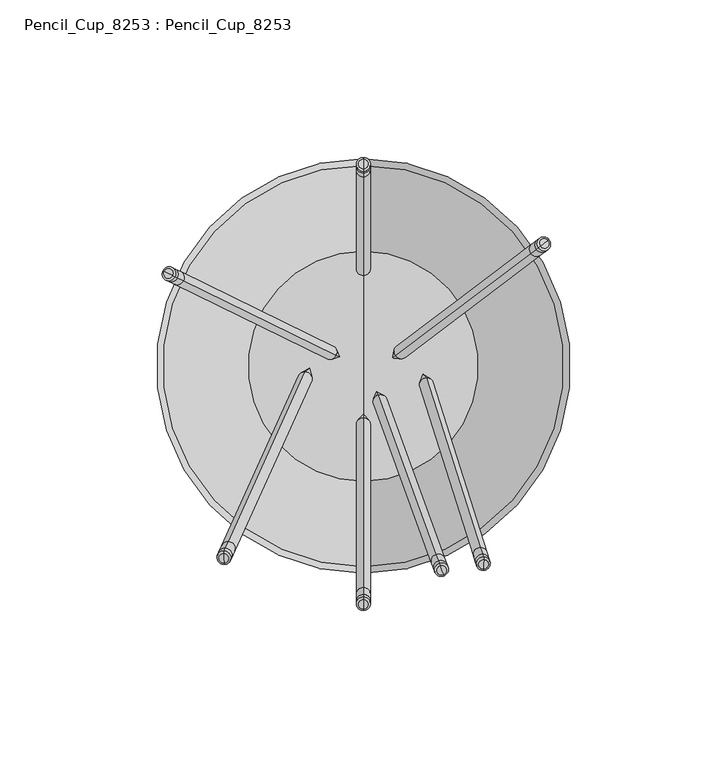
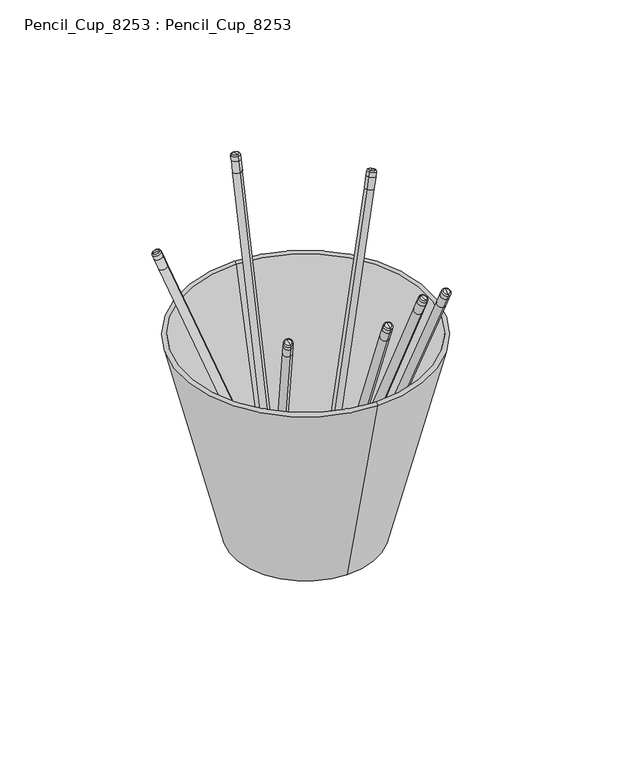
"""IFC4 building model written with IfcOpenShell, lengths in millimetres: proxy geometry, Pencil_Cup_8253 : Pencil_Cup_8253."""

import ifcopenshell
import ifcopenshell.guid

model = None  # the IFC model being written
_history = None  # IfcOwnerHistory: only IFC2X3 demands one
_inside = {}  # id of a spatial element -> (the spatial element, [elements in it])
_under = {}  # id of a project, library or spatial element -> (it, [spatial elements below it])
_declared = {}  # id of a project -> (the project, [libraries it declares])
_typed = {}  # id of a type object -> (the type object, [elements of that type])
_made_of = {}  # id of a material, layer set ... -> (it, [elements and type objects made of it])


def new_model(schema):
    """Start an empty IFC model of exactly this schema.

    Asked for "IFC4X3", IfcOpenShell would pick the latest addendum, in which some entities
    have other attributes; the version numbers below select the first issue.
    IFC2X3 requires an IfcOwnerHistory on every rooted entity: one is made here for all.
    """
    global model, _history
    if schema == "IFC4X3":
        model = ifcopenshell.file(schema_version=(4, 3, 0, 0))
    else:
        model = ifcopenshell.file(schema=schema)
    _inside.clear()
    _under.clear()
    _declared.clear()
    _typed.clear()
    _made_of.clear()
    _history = None
    if model.schema == "IFC2X3":
        org = make("IfcOrganization", Name="unknown")
        user = make(
            "IfcPersonAndOrganization",
            ThePerson=make("IfcPerson", FamilyName="unknown"),
            TheOrganization=org,
        )
        app = make(
            "IfcApplication",
            ApplicationDeveloper=org,
            Version="unknown",
            ApplicationFullName="unknown",
            ApplicationIdentifier="unknown",
        )
        _history = make(
            "IfcOwnerHistory",
            OwningUser=user,
            OwningApplication=app,
            ChangeAction="ADDED",
            CreationDate=0,
        )
    return model


def make(cls, **values):
    """One entity of the class cls with the attributes given. An attribute that is None is left unset."""
    return model.create_entity(
        cls, **{name: value for name, value in values.items() if value is not None}
    )


def rooted(cls, **values):
    """An entity with a GlobalId (a new one), such as an element, a storey or a relation."""
    return make(cls, GlobalId=ifcopenshell.guid.new(), OwnerHistory=_history, **values)


def si_unit(unit_type, name, prefix=None):
    """IfcSIUnit, for example si_unit("LENGTHUNIT", "METRE", prefix="MILLI")."""
    return make("IfcSIUnit", UnitType=unit_type, Prefix=prefix, Name=name)


def assignment(units):
    """IfcUnitAssignment: the units of a project."""
    return None if units is None else make("IfcUnitAssignment", Units=units)


def point(xyz):
    """IfcCartesianPoint."""
    return None if xyz is None else make("IfcCartesianPoint", Coordinates=xyz)


def direction(xyz):
    """IfcDirection."""
    return None if xyz is None else make("IfcDirection", DirectionRatios=xyz)


def frame(location, z_axis=None, x_axis=None):
    """IfcAxis2Placement3D, a coordinate frame: its origin and axes. An axis left out is left unset."""
    return make(
        "IfcAxis2Placement3D",
        Location=point(location),
        Axis=direction(z_axis),
        RefDirection=direction(x_axis),
    )


def origin():
    """The frame at (0, 0, 0) with its axes left unset."""
    return frame((0.0, 0.0, 0.0))


def place(relative_to, where):
    """IfcLocalPlacement: puts the frame where relative to a parent placement (None: the world)."""
    return make(
        "IfcLocalPlacement", PlacementRelTo=relative_to, RelativePlacement=where
    )


def context(
    kind, dimensions, precision=None, world=None, true_north=None, identifier=None
):
    """IfcGeometricRepresentationContext, for example the 3D "Model" context."""
    return make(
        "IfcGeometricRepresentationContext",
        ContextIdentifier=identifier,
        ContextType=kind,
        CoordinateSpaceDimension=dimensions,
        Precision=precision,
        WorldCoordinateSystem=world,
        TrueNorth=true_north,
    )


def project(units=None, contexts=None):
    """IfcProject with its units and contexts."""
    return rooted(
        "IfcProject",
        Name="project",
        RepresentationContexts=contexts,
        UnitsInContext=assignment(units),
    )


def spatial(cls, under=None, at=None, **own):
    """A site, building, storey or space (cls), placed at a placement, below another one or the project."""
    s = rooted(cls, ObjectPlacement=at, **own)
    if under is not None:
        _under.setdefault(under.id(), (under, []))[1].append(s)
    return s


def polyline(points):
    """IfcPolyline through the points."""
    return make("IfcPolyline", Points=[point(p) for p in points])


def circle_curve(where, radius):
    """IfcCircle in the frame where."""
    return make("IfcCircle", Position=where, Radius=radius)


def ellipse_curve(where, semi_axis1, semi_axis2):
    """IfcEllipse in the frame where."""
    return make(
        "IfcEllipse", Position=where, SemiAxis1=semi_axis1, SemiAxis2=semi_axis2
    )


def trimmed(basis, trim1, trim2, sense, master):
    """IfcTrimmedCurve: the piece of a basis curve between two trims."""
    return make(
        "IfcTrimmedCurve",
        BasisCurve=basis,
        Trim1=trim1,
        Trim2=trim2,
        SenseAgreement=sense,
        MasterRepresentation=master,
    )


def shape(context_of_items, identifier, shape_type, items):
    """IfcShapeRepresentation: the items that make up one representation, for example the "Body"."""
    return make(
        "IfcShapeRepresentation",
        ContextOfItems=context_of_items,
        RepresentationIdentifier=identifier,
        RepresentationType=shape_type,
        Items=items,
    )


def source(mapping_origin, context_of_items, identifier, shape_type, items):
    """IfcRepresentationMap: a shape defined once, which mapped items show again and again."""
    return make(
        "IfcRepresentationMap",
        MappingOrigin=mapping_origin,
        MappedRepresentation=shape(context_of_items, identifier, shape_type, items),
    )


def transform(
    local_origin,
    x_axis=None,
    y_axis=None,
    z_axis=None,
    scale=None,
    scale2=None,
    scale3=None,
    uniform=True,
):
    """IfcCartesianTransformationOperator3D, or its non-uniform kind. x_axis, y_axis, z_axis: its Axis1, 2, 3."""
    if uniform:
        return make(
            "IfcCartesianTransformationOperator3D",
            Axis1=direction(x_axis),
            Axis2=direction(y_axis),
            LocalOrigin=point(local_origin),
            Scale=scale,
            Axis3=direction(z_axis),
        )
    return make(
        "IfcCartesianTransformationOperator3DnonUniform",
        Axis1=direction(x_axis),
        Axis2=direction(y_axis),
        LocalOrigin=point(local_origin),
        Scale=scale,
        Axis3=direction(z_axis),
        Scale2=scale2,
        Scale3=scale3,
    )


def mapped(mapping_source, mapping_target):
    """IfcMappedItem: shows the shape of a source again, moved by a transform."""
    return make(
        "IfcMappedItem", MappingSource=mapping_source, MappingTarget=mapping_target
    )


def made_of(thing, what):
    """Note that an element or type object is made of a material, layer set ...; save() writes the relation."""
    if what is not None:
        _made_of.setdefault(what.id(), (what, []))[1].append(thing)
    return thing


def element(
    cls,
    number,
    at=None,
    inside=None,
    cuts=None,
    type_object=None,
    material=None,
    context=None,
    identifier="Body",
    shape_type=None,
    held_by="IfcProductDefinitionShape",
    body=None,
    shapes=None,
    **own,
):
    """One element of the class cls, such as IfcWall. Its Tag is "e" and its number.

    at: its placement. inside: the storey or other place that contains it. cuts: it is an
    opening in that element (IfcRelVoidsElement). A single representation is given by context,
    identifier, shape_type and body (its items); several are given by shapes. held_by: the class
    of the entity that holds the representations. save() writes the other relations.
    """
    e = rooted(cls, Tag="e%d" % number, ObjectPlacement=at, **own)
    if body is not None:
        shapes = [shape(context, identifier, shape_type, body)]
    if shapes is not None:
        e.Representation = make(held_by, Representations=shapes)
    if inside is not None:
        _inside.setdefault(inside.id(), (inside, []))[1].append(e)
    if cuts is not None:
        rooted(
            "IfcRelVoidsElement", RelatingBuildingElement=cuts, RelatedOpeningElement=e
        )
    if type_object is not None:
        _typed.setdefault(type_object.id(), (type_object, []))[1].append(e)
    return made_of(e, material)


def aggregate(whole, parts):
    """IfcRelAggregates: a whole, such as a stair, and the parts it consists of."""
    return rooted("IfcRelAggregates", RelatingObject=whole, RelatedObjects=parts)


def save(model, path):
    """Write the relations noted so far, then the file.

    IfcRelAggregates (storeys below a building ...), IfcRelContainedInSpatialStructure (elements
    in a storey), IfcRelDefinesByType, IfcRelAssociatesMaterial and IfcRelDeclares: one each for
    every whole, place, type object, material and project.
    """
    for whole, parts in _under.values():
        aggregate(whole, parts)
    for where, things in _inside.values():
        rooted(
            "IfcRelContainedInSpatialStructure",
            RelatedElements=things,
            RelatingStructure=where,
        )
    for kind, things in _typed.values():
        rooted("IfcRelDefinesByType", RelatedObjects=things, RelatingType=kind)
    for what, things in _made_of.values():
        rooted("IfcRelAssociatesMaterial", RelatedObjects=things, RelatingMaterial=what)
    for by, libraries in _declared.values():
        rooted("IfcRelDeclares", RelatingContext=by, RelatedDefinitions=libraries)
    model.write(path)


def plane_surface(at):
    """IfcPlane: the flat surface through the origin of the frame at, square to its z axis."""
    return make("IfcPlane", Position=at)


def cylinder_surface(at, radius):
    """IfcCylindricalSurface: all points at the distance radius from the z axis of the frame at."""
    return make("IfcCylindricalSurface", Position=at, Radius=radius)


def revolved_surface(curve, axis_point, axis_direction):
    """IfcSurfaceOfRevolution: the curve turned about the line through axis_point along axis_direction."""
    return make(
        "IfcSurfaceOfRevolution",
        SweptCurve=make("IfcArbitraryOpenProfileDef", ProfileType="CURVE", Curve=curve),
        AxisPosition=make("IfcAxis1Placement", Location=point(axis_point), Axis=direction(axis_direction)),
    )


def advanced_brep(points, edges, surfaces, faces):
    """IfcAdvancedBrep: a solid bounded by faces that lie on surfaces and meet in shared edges.

    An edge is (start, end): straight between two places in points (the first is 0);
    or (start, end, curve); or (start, end, curve, False) where it runs against its curve.
    A face is (place in surfaces, loops), or (place, loops, False) where it looks against
    its surface's normal. A loop lists edges by number (the first is 1), with a minus sign
    where the edge is run from its end to its start. The first loop is the outer one.
    """
    corners = [point(p) for p in points]
    vertices = [make("IfcVertexPoint", VertexGeometry=c) for c in corners]
    made = []
    for start, end, *more in edges:
        made.append(
            make(
                "IfcEdgeCurve",
                EdgeStart=vertices[start],
                EdgeEnd=vertices[end],
                EdgeGeometry=more[0] if more else make("IfcPolyline", Points=[corners[start], corners[end]]),
                SameSense=more[1] if len(more) > 1 else True,
            )
        )
    hull = []
    for where, loops, *sense in faces:
        bounds = []
        for j, loop in enumerate(loops):
            ring = [make("IfcOrientedEdge", EdgeElement=made[abs(k) - 1], Orientation=k > 0) for k in loop]
            bounds.append(
                make(
                    "IfcFaceOuterBound" if j == 0 else "IfcFaceBound",
                    Bound=make("IfcEdgeLoop", EdgeList=ring),
                    Orientation=True,
                )
            )
        hull.append(make("IfcAdvancedFace", Bounds=bounds, FaceSurface=surfaces[where], SameSense=sense[0] if sense else True))
    return make("IfcAdvancedBrep", Outer=make("IfcClosedShell", CfsFaces=hull))


def pencil_cup_8253_pencil_cup_8253_cffecb01(model_context):
    return source(origin(), model_context, "Body", "AdvancedBrep", [
        advanced_brep(
        [(9.268389, 2.5445179, 1.8547128), (13.4754719, 5.7147823, 9.377966), (10.1622793, 3.2181126, 10.9704515), (56.3428646, 38.0176797, 159.7831882), (58.680865, 39.7794893, 158.6594287), (57.5118648, 38.8985845, 159.2213084), (55.6680979, 37.5092065, 159.4070147), (58.9812905, 40.0058762, 157.8145291), (54.9804375, 36.9910172, 157.1639181), (58.2936301, 39.4876869, 155.5714326), (53.2655315, 35.6987428, 151.5700233), (56.5787241, 38.1954125, 149.9775378)],
        [
            (0, 1),
            (1, 2, circle_curve(frame((11.8188756, 4.4664474, 10.1742087), z_axis=(-0.2862053701697041, -0.21567121585256105, -0.9335804264972036), x_axis=(0.7455904800857668, 0.5618427259867093, -0.3583679495452953)), 2.2218582)),
            (2, 0),
            (2, 1, circle_curve(frame((11.8188756, 4.4664474, 10.1742087), z_axis=(-0.2862053701697041, -0.21567121585256105, -0.9335804264972036), x_axis=(0.7455904800857668, 0.5618427259867093, -0.3583679495452953)), 2.2218582)),
            (3, 4, circle_curve(frame((57.5118648, 38.8985845, 159.2213084), z_axis=(0.2862053701697041, 0.21567121585256105, 0.9335804264972036), x_axis=(0.7455904800857668, 0.5618427259867093, -0.3583679495452953)), 1.5678851)),
            (4, 5),
            (5, 3),
            (4, 3, circle_curve(frame((57.5118648, 38.8985845, 159.2213084), z_axis=(0.2862053701697041, 0.21567121585256105, 0.9335804264972036), x_axis=(0.7455904800857668, 0.5618427259867093, -0.3583679495452953)), 1.5678851)),
            (6, 7, circle_curve(frame((57.3246942, 38.7575413, 158.6107719), z_axis=(0.2862053701697041, 0.21567121585256105, 0.9335804264972036), x_axis=(0.7455904800857668, 0.5618427259867093, -0.3583679495452953)), 2.2218582)),
            (7, 4, circle_curve(frame((58.4936944, 39.6384461, 158.0488921), z_axis=(0.6018150231520466, -0.798635510047294, 0.0), x_axis=(0.798635510047294, 0.6018150231520466, 0.0)), 0.6539731)),
            (3, 6, circle_curve(frame((56.155694, 37.8766365, 159.1726516), z_axis=(0.601815023152049, -0.7986355100472923, 0.0), x_axis=(-0.5935018467341541, -0.4472357203500029, 0.6691306063588502)), 0.6539731)),
            (7, 6, circle_curve(frame((57.3246942, 38.7575413, 158.6107719), z_axis=(0.2862053701697041, 0.21567121585256105, 0.9335804264972036), x_axis=(0.7455904800857668, 0.5618427259867093, -0.3583679495452953)), 2.2218582)),
            (8, 9, circle_curve(frame((56.6370338, 38.239352, 156.3676754), z_axis=(0.2862053701697041, 0.21567121585256105, 0.9335804264972036), x_axis=(0.7455904800857668, 0.5618427259867093, -0.3583679495452953)), 2.2218582)),
            (9, 7),
            (6, 8),
            (9, 8, circle_curve(frame((56.6370338, 38.239352, 156.3676754), z_axis=(0.2862053701697041, 0.21567121585256105, 0.9335804264972036), x_axis=(0.7455904800857668, 0.5618427259867093, -0.3583679495452953)), 2.2218582)),
            (10, 11, circle_curve(frame((54.9221278, 36.9470776, 150.7737806), z_axis=(0.2862053701697041, 0.21567121585256105, 0.9335804264972036), x_axis=(0.7455904800857668, 0.5618427259867093, -0.3583679495452953)), 2.2218582)),
            (11, 9),
            (8, 10),
            (11, 10, circle_curve(frame((54.9221278, 36.9470776, 150.7737806), z_axis=(0.2862053701697041, 0.21567121585256105, 0.9335804264972036), x_axis=(0.7455904800857668, 0.5618427259867093, -0.3583679495452953)), 2.2218582)),
            (1, 11),
            (10, 2),
        ],
        [
            revolved_surface(polyline([(13.4754719, 5.7147823, 9.377966), (9.268389, 2.5445179, 1.8547128)]), (9.268389, 2.5445179, 1.8547128), (-0.2862053701697041, -0.21567121585256105, -0.9335804264972036)),
            plane_surface(frame((57.5118648, 38.8985845, 159.2213084), z_axis=(0.2862053701697041, 0.21567121585256105, 0.9335804264972037), x_axis=(0.7455904800857669, 0.5618427259867094, -0.35836794954529533))),
            plane_surface(frame((57.5118648, 38.8985845, 159.2213084), z_axis=(0.28620537016970404, 0.215671215852561, 0.9335804264972036), x_axis=(0.7455904800857668, 0.5618427259867093, -0.3583679495452953))),
            revolved_surface(trimmed(ellipse_curve(frame((58.4936944, 39.6384461, 158.0488921), z_axis=(-0.6018150231520466, 0.798635510047294, 0.0), x_axis=(0.798635510047294, 0.6018150231520466, 0.0)), 0.6539731, 0.6539731), [point((58.680865, 39.7794893, 158.6594287))], [point((58.9812905, 40.0058762, 157.8145291))], True, "CARTESIAN"), (9.268389, 2.5445179, 1.8547128), (-0.2862053701697041, -0.21567121585256105, -0.9335804264972036)),
            cylinder_surface(frame((9.268389, 2.5445179, 1.8547128), z_axis=(-0.2862053701697041, -0.21567121585256105, -0.9335804264972036), x_axis=(0.7455904800857668, 0.5618427259867093, -0.3583679495452953)), 2.2218582),
        ],
        [
            (0, [[1, 2, 3]]),
            (0, [[-3, 4, -1]]),
            (1, [[5, 6, 7]]),
            (2, [[8, -7, -6]]),
            (3, [[9, 10, -5, 11]]),
            (3, [[12, -11, -8, -10]]),
            (4, [[13, 14, -9, 15]]),
            (4, [[16, -15, -12, -14]]),
            (4, [[17, 18, -13, 19]]),
            (4, [[20, -19, -16, -18]]),
            (4, [[-2, 21, -17, 22]]),
            (4, [[-4, -22, -20, -21]]),
        ],
    ),
        advanced_brep(
        [(-7.6454577, 2.9039082, 3.486788), (-12.3801597, 5.2131767, 11.0100412), (-8.6514527, 3.3945648, 12.6025267), (-60.623641, 28.7430947, 161.4152634), (-63.2548549, 30.0264235, 160.2915039), (-61.9392479, 29.3847591, 160.8533836), (-59.8642504, 28.3727152, 161.0390899), (-63.5929574, 30.1913271, 159.4466043), (-59.0903491, 27.9952583, 158.7959933), (-62.8190561, 29.8138702, 157.2035078), (-57.1603731, 27.0539461, 153.2020985), (-60.8890801, 28.872558, 151.609613)],
        [
            (0, 1),
            (1, 2, circle_curve(frame((-10.5158062, 4.3038707, 11.806284), z_axis=(0.3220989794357564, -0.15709816901461193, -0.9335804264972037), x_axis=(-0.8390965290771232, 0.4092547221834165, -0.3583679495452954)), 2.2218582)),
            (2, 0),
            (2, 1, circle_curve(frame((-10.5158062, 4.3038707, 11.806284), z_axis=(0.3220989794357564, -0.15709816901461193, -0.9335804264972037), x_axis=(-0.8390965290771232, 0.4092547221834165, -0.3583679495452954)), 2.2218582)),
            (3, 4, circle_curve(frame((-61.9392479, 29.3847591, 160.8533836), z_axis=(-0.3220989794357564, 0.15709816901461193, 0.9335804264972037), x_axis=(-0.8390965290771232, 0.4092547221834165, -0.3583679495452954)), 1.5678851)),
            (4, 5),
            (5, 3),
            (4, 3, circle_curve(frame((-61.9392479, 29.3847591, 160.8533836), z_axis=(-0.3220989794357564, 0.15709816901461193, 0.9335804264972037), x_axis=(-0.8390965290771232, 0.4092547221834165, -0.3583679495452954)), 1.5678851)),
            (6, 7, circle_curve(frame((-61.7286039, 29.2820211, 160.2428471), z_axis=(-0.3220989794357564, 0.15709816901461193, 0.9335804264972037), x_axis=(-0.8390965290771232, 0.4092547221834165, -0.3583679495452954)), 2.2218582)),
            (7, 4, circle_curve(frame((-63.0442108, 29.9236855, 159.6809673), z_axis=(0.43837114678907546, 0.8987940462991683, 0.0), x_axis=(-0.8987940462991681, 0.4383711467890754, 0.0)), 0.6539731)),
            (3, 6, circle_curve(frame((-60.412997, 28.6403568, 160.8047269), z_axis=(0.43837114678907274, 0.8987940462991696, 0.0), x_axis=(0.6679341446771209, -0.3257732493748992, 0.6691306063588505)), 0.6539731)),
            (7, 6, circle_curve(frame((-61.7286039, 29.2820211, 160.2428471), z_axis=(-0.3220989794357564, 0.15709816901461193, 0.9335804264972037), x_axis=(-0.8390965290771232, 0.4092547221834165, -0.3583679495452954)), 2.2218582)),
            (8, 9, circle_curve(frame((-60.9547026, 28.9045642, 157.9997506), z_axis=(-0.3220989794357564, 0.15709816901461193, 0.9335804264972037), x_axis=(-0.8390965290771232, 0.4092547221834165, -0.3583679495452954)), 2.2218582)),
            (9, 7),
            (6, 8),
            (9, 8, circle_curve(frame((-60.9547026, 28.9045642, 157.9997506), z_axis=(-0.3220989794357564, 0.15709816901461193, 0.9335804264972037), x_axis=(-0.8390965290771232, 0.4092547221834165, -0.3583679495452954)), 2.2218582)),
            (10, 11, circle_curve(frame((-59.0247266, 27.963252, 152.4058558), z_axis=(-0.3220989794357564, 0.15709816901461193, 0.9335804264972037), x_axis=(-0.8390965290771232, 0.4092547221834165, -0.3583679495452954)), 2.2218582)),
            (11, 9),
            (8, 10),
            (11, 10, circle_curve(frame((-59.0247266, 27.963252, 152.4058558), z_axis=(-0.3220989794357564, 0.15709816901461193, 0.9335804264972037), x_axis=(-0.8390965290771232, 0.4092547221834165, -0.3583679495452954)), 2.2218582)),
            (1, 11),
            (10, 2),
        ],
        [
            revolved_surface(polyline([(-12.3801597, 5.2131767, 11.0100412), (-7.6454577, 2.9039082, 3.486788)]), (-7.6454577, 2.9039082, 3.486788), (0.3220989794357564, -0.15709816901461193, -0.9335804264972037)),
            plane_surface(frame((-61.9392479, 29.3847591, 160.8533836), z_axis=(-0.3220989794357564, 0.15709816901461196, 0.9335804264972039), x_axis=(-0.8390965290771232, 0.4092547221834165, -0.3583679495452954))),
            revolved_surface(trimmed(ellipse_curve(frame((-63.0442108, 29.9236855, 159.6809673), z_axis=(-0.43837114678907546, -0.8987940462991683, 0.0), x_axis=(-0.8987940462991681, 0.4383711467890754, 0.0)), 0.6539731, 0.6539731), [point((-63.2548549, 30.0264235, 160.2915039))], [point((-63.5929574, 30.1913271, 159.4466043))], True, "CARTESIAN"), (-7.6454577, 2.9039082, 3.486788), (0.3220989794357564, -0.15709816901461193, -0.9335804264972037)),
            revolved_surface(trimmed(ellipse_curve(frame((-63.0442108, 29.9236855, 159.6809673), z_axis=(-0.4383711467890754, -0.898794046299168, 0.0), x_axis=(-0.898794046299168, 0.43837114678907546, 0.0)), 0.6539731, 0.6539731), [point((-63.2548549, 30.0264235, 160.2915039))], [point((-63.5929574, 30.1913271, 159.4466043))], True, "CARTESIAN"), (-7.6454577, 2.9039082, 3.486788), (0.3220989794357564, -0.15709816901461193, -0.9335804264972037)),
            cylinder_surface(frame((-7.6454577, 2.9039082, 3.486788), z_axis=(0.3220989794357564, -0.15709816901461193, -0.9335804264972037), x_axis=(-0.8390965290771232, 0.4092547221834165, -0.3583679495452954)), 2.2218582),
        ],
        [
            (0, [[1, 2, 3]]),
            (0, [[-3, 4, -1]]),
            (1, [[5, 6, 7]]),
            (1, [[8, -7, -6]]),
            (2, [[9, 10, -5, 11]]),
            (3, [[12, -11, -8, -10]]),
            (4, [[13, 14, -9, 15]]),
            (4, [[16, -15, -12, -14]]),
            (4, [[17, 18, -13, 19]]),
            (4, [[20, -19, -16, -18]]),
            (4, [[-2, 21, -17, 22]]),
            (4, [[-4, -22, -20, -21]]),
        ],
    ),
        advanced_brep(
        [(-17.0313487, -0.6342995, 4.0465317), (-18.3377479, -5.9021381, 11.4554898), (-18.6142801, -1.7535715, 13.0237819), (-44.4553406, -59.5779291, 159.5757187), (-44.2602018, -62.5054227, 158.4690316), (-44.3577712, -61.0416759, 159.0223752), (-44.3900188, -58.7330296, 159.2052601), (-44.1134866, -62.8815962, 157.636968), (-44.0005091, -57.8719855, 156.9962413), (-43.7239769, -62.0205521, 155.4279492), (-43.0291395, -55.7246905, 151.4873303), (-42.7526073, -59.8732571, 149.9190382)],
        [
            (0, 1),
            (1, 2, circle_curve(frame((-18.476014, -3.8278548, 12.2396358), z_axis=(0.1621145397667394, 0.3583679495452942, -0.9193972420748932), x_axis=(0.06222994137276876, -0.9335804264972042, -0.35292353514329466)), 2.2218582)),
            (2, 0),
            (2, 1, circle_curve(frame((-18.476014, -3.8278548, 12.2396358), z_axis=(0.1621145397667394, 0.3583679495452942, -0.9193972420748932), x_axis=(0.06222994137276876, -0.9335804264972042, -0.35292353514329466)), 2.2218582)),
            (3, 4, circle_curve(frame((-44.3577712, -61.0416759, 159.0223752), z_axis=(-0.1621145397667394, -0.3583679495452942, 0.9193972420748932), x_axis=(0.06222994137276876, -0.9335804264972042, -0.35292353514329466)), 1.5678851)),
            (4, 5),
            (5, 3),
            (4, 3, circle_curve(frame((-44.3577712, -61.0416759, 159.0223752), z_axis=(-0.1621145397667394, -0.3583679495452942, 0.9193972420748932), x_axis=(0.06222994137276876, -0.9335804264972042, -0.35292353514329466)), 1.5678851)),
            (6, 7, circle_curve(frame((-44.2517527, -60.8073129, 158.4211141), z_axis=(-0.1621145397667394, -0.3583679495452942, 0.9193972420748932), x_axis=(0.06222994137276876, -0.9335804264972042, -0.35292353514329466)), 2.2218582)),
            (7, 4, circle_curve(frame((-44.1541833, -62.2710597, 157.8677705), z_axis=(-0.9848077530122114, 0.0, -0.17364817766691357), x_axis=(0.0, -1.0000000000000002, 0.0)), 0.6539731)),
            (3, 6, circle_curve(frame((-44.3493221, -59.3435661, 158.9744576), z_axis=(-0.9848077530122111, 0.0, -0.1736481776669147), x_axis=(-0.11619331041537385, 0.7431448254774033, 0.6589650089199554)), 0.6539731)),
            (7, 6, circle_curve(frame((-44.2517527, -60.8073129, 158.4211141), z_axis=(-0.1621145397667394, -0.3583679495452942, 0.9193972420748932), x_axis=(0.06222994137276876, -0.9335804264972042, -0.35292353514329466)), 2.2218582)),
            (8, 9, circle_curve(frame((-43.862243, -59.9462688, 156.2120952), z_axis=(-0.1621145397667394, -0.3583679495452942, 0.9193972420748932), x_axis=(0.06222994137276876, -0.9335804264972042, -0.35292353514329466)), 2.2218582)),
            (9, 7),
            (6, 8),
            (9, 8, circle_curve(frame((-43.862243, -59.9462688, 156.2120952), z_axis=(-0.1621145397667394, -0.3583679495452942, 0.9193972420748932), x_axis=(0.06222994137276876, -0.9335804264972042, -0.35292353514329466)), 2.2218582)),
            (10, 11, circle_curve(frame((-42.8908734, -57.7989738, 150.7031843), z_axis=(-0.1621145397667394, -0.3583679495452942, 0.9193972420748932), x_axis=(0.06222994137276876, -0.9335804264972042, -0.35292353514329466)), 2.2218582)),
            (11, 9),
            (8, 10),
            (11, 10, circle_curve(frame((-42.8908734, -57.7989738, 150.7031843), z_axis=(-0.1621145397667394, -0.3583679495452942, 0.9193972420748932), x_axis=(0.06222994137276876, -0.9335804264972042, -0.35292353514329466)), 2.2218582)),
            (1, 11),
            (10, 2),
        ],
        [
            revolved_surface(polyline([(-18.3377479, -5.9021381, 11.4554898), (-17.0313487, -0.6342995, 4.0465317)]), (-17.0313487, -0.6342995, 4.0465317), (0.1621145397667394, 0.3583679495452942, -0.9193972420748932)),
            plane_surface(frame((-44.3577712, -61.0416759, 159.0223752), z_axis=(-0.16211453976673942, -0.35836794954529433, 0.9193972420748934), x_axis=(0.06222994137276876, -0.9335804264972042, -0.35292353514329466))),
            revolved_surface(trimmed(ellipse_curve(frame((-44.1541833, -62.2710597, 157.8677705), z_axis=(0.9848077530122114, 0.0, 0.17364817766691357), x_axis=(0.0, -1.0000000000000002, 0.0)), 0.6539731, 0.6539731), [point((-44.2602018, -62.5054227, 158.4690316))], [point((-44.1134866, -62.8815962, 157.636968))], True, "CARTESIAN"), (-17.0313487, -0.6342995, 4.0465317), (0.1621145397667394, 0.3583679495452942, -0.9193972420748932)),
            cylinder_surface(frame((-17.0313487, -0.6342995, 4.0465317), z_axis=(0.1621145397667394, 0.3583679495452942, -0.9193972420748932), x_axis=(0.06222994137276876, -0.9335804264972042, -0.35292353514329466)), 2.2218582),
        ],
        [
            (0, [[1, 2, 3]]),
            (0, [[-3, 4, -1]]),
            (1, [[5, 6, 7]]),
            (1, [[8, -7, -6]]),
            (2, [[9, 10, -5, 11]]),
            (2, [[12, -11, -8, -10]]),
            (3, [[13, 14, -9, 15]]),
            (3, [[16, -15, -12, -14]]),
            (3, [[17, 18, -13, 19]]),
            (3, [[20, -19, -16, -18]]),
            (3, [[-2, 21, -17, 22]]),
            (3, [[-4, -22, -20, -21]]),
        ],
    ),
        advanced_brep(
        [(18.9934656, -2.5399928, 3.5378777), (19.9103196, -7.8078314, 11.0050537), (20.1043947, -3.6592648, 12.585669), (38.2401052, -61.4836224, 160.2891781), (38.1031534, -64.411116, 159.173795), (38.1716293, -62.9473692, 159.7314865), (38.1942612, -60.6387229, 159.9158086), (38.0001861, -64.7872895, 158.3351932), (37.9208965, -59.7776788, 157.6894317), (37.7268214, -63.9262454, 156.1088164), (37.2391722, -57.6303838, 152.137233), (37.0450971, -61.7789504, 150.5566176)],
        [
            (0, 1),
            (1, 2, circle_curve(frame((20.0073572, -5.7335481, 11.7953614), z_axis=(-0.11377483359312666, 0.3583679495452936, -0.9266216595674626), x_axis=(-0.04367406670853964, -0.9335804264972046, -0.35569672919277195)), 2.2218582)),
            (2, 0),
            (2, 1, circle_curve(frame((20.0073572, -5.7335481, 11.7953614), z_axis=(-0.11377483359312666, 0.3583679495452936, -0.9266216595674626), x_axis=(-0.04367406670853964, -0.9335804264972046, -0.35569672919277195)), 2.2218582)),
            (3, 4, circle_curve(frame((38.1716293, -62.9473692, 159.7314865), z_axis=(0.11377483359312666, -0.3583679495452936, 0.9266216595674626), x_axis=(-0.04367406670853964, -0.9335804264972046, -0.35569672919277195)), 1.5678851)),
            (4, 5),
            (5, 3),
            (4, 3, circle_curve(frame((38.1716293, -62.9473692, 159.7314865), z_axis=(0.11377483359312666, -0.3583679495452936, 0.9266216595674626), x_axis=(-0.04367406670853964, -0.9335804264972046, -0.35569672919277195)), 1.5678851)),
            (6, 7, circle_curve(frame((38.0972236, -62.7130062, 159.1255009), z_axis=(0.11377483359312666, -0.3583679495452936, 0.9266216595674626), x_axis=(-0.04367406670853964, -0.9335804264972046, -0.35569672919277195)), 2.2218582)),
            (7, 4, circle_curve(frame((38.0287477, -64.176753, 158.5678093), z_axis=(-0.9925461516413202, 0.0, 0.12186934340516338), x_axis=(0.0, -1.0000000000000004, 0.0)), 0.6539731)),
            (3, 6, circle_curve(frame((38.1656996, -61.2492594, 159.6831925), z_axis=(-0.9925461516413203, 0.0, 0.12186934340516217), x_axis=(0.08154650764924858, 0.7431448254774042, 0.6641430082868975)), 0.6539731)),
            (7, 6, circle_curve(frame((38.0972236, -62.7130062, 159.1255009), z_axis=(0.11377483359312666, -0.3583679495452936, 0.9266216595674626), x_axis=(-0.04367406670853964, -0.9335804264972046, -0.35569672919277195)), 2.2218582)),
            (8, 9, circle_curve(frame((37.8238589, -61.8519621, 156.899124), z_axis=(0.11377483359312666, -0.3583679495452936, 0.9266216595674626), x_axis=(-0.04367406670853964, -0.9335804264972046, -0.35569672919277195)), 2.2218582)),
            (9, 7),
            (6, 8),
            (9, 8, circle_curve(frame((37.8238589, -61.8519621, 156.899124), z_axis=(0.11377483359312666, -0.3583679495452936, 0.9266216595674626), x_axis=(-0.04367406670853964, -0.9335804264972046, -0.35569672919277195)), 2.2218582)),
            (10, 11, circle_curve(frame((37.1421347, -59.7046671, 151.3469253), z_axis=(0.11377483359312666, -0.3583679495452936, 0.9266216595674626), x_axis=(-0.04367406670853964, -0.9335804264972046, -0.35569672919277195)), 2.2218582)),
            (11, 9),
            (8, 10),
            (11, 10, circle_curve(frame((37.1421347, -59.7046671, 151.3469253), z_axis=(0.11377483359312666, -0.3583679495452936, 0.9266216595674626), x_axis=(-0.04367406670853964, -0.9335804264972046, -0.35569672919277195)), 2.2218582)),
            (1, 11),
            (10, 2),
        ],
        [
            revolved_surface(polyline([(19.9103196, -7.8078314, 11.0050537), (18.9934656, -2.5399928, 3.5378777)]), (18.9934656, -2.5399928, 3.5378777), (-0.11377483359312666, 0.3583679495452936, -0.9266216595674626)),
            plane_surface(frame((38.1716293, -62.9473692, 159.7314865), z_axis=(0.11377483359312666, -0.3583679495452936, 0.9266216595674627), x_axis=(-0.043674066708539634, -0.9335804264972044, -0.3556967291927719))),
            revolved_surface(trimmed(ellipse_curve(frame((38.0287477, -64.176753, 158.5678093), z_axis=(0.9925461516413202, 0.0, -0.12186934340516338), x_axis=(0.0, -1.0000000000000004, 0.0)), 0.6539731, 0.6539731), [point((38.1031534, -64.411116, 159.173795))], [point((38.0001861, -64.7872895, 158.3351932))], True, "CARTESIAN"), (18.9934656, -2.5399928, 3.5378777), (-0.11377483359312666, 0.3583679495452936, -0.9266216595674626)),
            revolved_surface(trimmed(ellipse_curve(frame((38.0287477, -64.176753, 158.5678093), z_axis=(0.9925461516413204, 0.0, -0.12186934340516341), x_axis=(0.0, -1.0000000000000004, 0.0)), 0.6539731, 0.6539731), [point((38.1031534, -64.411116, 159.173795))], [point((38.0001861, -64.7872895, 158.3351932))], True, "CARTESIAN"), (18.9934656, -2.5399928, 3.5378777), (-0.11377483359312666, 0.3583679495452936, -0.9266216595674626)),
            cylinder_surface(frame((18.9934656, -2.5399928, 3.5378777), z_axis=(-0.11377483359312666, 0.3583679495452936, -0.9266216595674626), x_axis=(-0.04367406670853964, -0.9335804264972046, -0.35569672919277195)), 2.2218582),
        ],
        [
            (0, [[1, 2, 3]]),
            (0, [[-3, 4, -1]]),
            (1, [[5, 6, 7]]),
            (1, [[8, -7, -6]]),
            (2, [[9, 10, -5, 11]]),
            (3, [[12, -11, -8, -10]]),
            (4, [[13, 14, -9, 15]]),
            (4, [[16, -15, -12, -14]]),
            (4, [[17, 18, -13, 19]]),
            (4, [[20, -19, -16, -18]]),
            (4, [[-2, 21, -17, 22]]),
            (4, [[-4, -22, -20, -21]]),
        ],
    ),
        advanced_brep(
        [(0.0, 29.096908, 8.2115211), (0.0, 28.7763841, 17.3901227), (0.0, 33.1229946, 16.4662221), (0.0, 65.6766331, 172.7644868), (0.0, 62.6093871, 173.41645), (0.0, 64.1430101, 173.0904684), (0.0, 66.1803467, 171.9888359), (0.0, 61.8337362, 172.9127365), (0.0, 65.6808011, 169.6386586), (0.0, 61.3341906, 170.5625592), (0.0, 64.4350208, 163.777723), (0.0, 60.0884103, 164.7016236)],
        [
            (0, 1),
            (1, 2, circle_curve(frame((0.0, 30.9496894, 16.9281724), z_axis=(0.0, -0.20791169081776403, -0.9781476007338047), x_axis=(0.0, -0.9781476007338047, 0.20791169081776403)), 2.2218582)),
            (2, 0),
            (2, 1, circle_curve(frame((0.0, 30.9496894, 16.9281724), z_axis=(0.0, -0.20791169081776403, -0.9781476007338047), x_axis=(0.0, -0.9781476007338047, 0.20791169081776403)), 2.2218582)),
            (3, 4, circle_curve(frame((0.0, 64.1430101, 173.0904684), z_axis=(0.0, 0.20791169081776403, 0.9781476007338047), x_axis=(0.0, -0.9781476007338047, 0.20791169081776403)), 1.5678851)),
            (4, 5),
            (5, 3),
            (4, 3, circle_curve(frame((0.0, 64.1430101, 173.0904684), z_axis=(0.0, 0.20791169081776403, 0.9781476007338047), x_axis=(0.0, -0.9781476007338047, 0.20791169081776403)), 1.5678851)),
            (6, 7, circle_curve(frame((0.0, 64.0070414, 172.4507862), z_axis=(0.0, 0.20791169081776403, 0.9781476007338047), x_axis=(0.0, -0.9781476007338047, 0.20791169081776403)), 2.2218582)),
            (7, 4, circle_curve(frame((0.0, 62.4734184, 172.7767678), z_axis=(-1.0000000000000002, 0.0, 0.0), x_axis=(0.0, -0.8386705679454244, 0.5446390350150269)), 0.6539731)),
            (3, 6, circle_curve(frame((0.0, 65.5406644, 172.1248045), z_axis=(-1.0000000000000002, 0.0, 0.0), x_axis=(0.0, 0.9876883405951394, 0.15643446504022107)), 0.6539731)),
            (7, 6, circle_curve(frame((0.0, 64.0070414, 172.4507862), z_axis=(0.0, 0.20791169081776403, 0.9781476007338047), x_axis=(0.0, -0.9781476007338047, 0.20791169081776403)), 2.2218582)),
            (8, 9, circle_curve(frame((0.0, 63.5074958, 170.1006089), z_axis=(0.0, 0.20791169081776403, 0.9781476007338047), x_axis=(0.0, -0.9781476007338047, 0.20791169081776403)), 2.2218582)),
            (9, 7),
            (6, 8),
            (9, 8, circle_curve(frame((0.0, 63.5074958, 170.1006089), z_axis=(0.0, 0.20791169081776403, 0.9781476007338047), x_axis=(0.0, -0.9781476007338047, 0.20791169081776403)), 2.2218582)),
            (10, 11, circle_curve(frame((0.0, 62.2617155, 164.2396733), z_axis=(0.0, 0.20791169081776403, 0.9781476007338047), x_axis=(0.0, -0.9781476007338047, 0.20791169081776403)), 2.2218582)),
            (11, 9),
            (8, 10),
            (11, 10, circle_curve(frame((0.0, 62.2617155, 164.2396733), z_axis=(0.0, 0.20791169081776403, 0.9781476007338047), x_axis=(0.0, -0.9781476007338047, 0.20791169081776403)), 2.2218582)),
            (1, 11),
            (10, 2),
        ],
        [
            revolved_surface(polyline([(0.0, 28.7763841, 17.3901227), (0.0, 29.096908, 8.2115211)]), (0.0, 29.096908, 8.2115211), (0.0, -0.20791169081776403, -0.9781476007338047)),
            plane_surface(frame((0.0, 64.1430101, 173.0904684), z_axis=(0.0, 0.20791169081776403, 0.9781476007338047), x_axis=(0.0, -0.9781476007338047, 0.20791169081776403))),
            revolved_surface(trimmed(ellipse_curve(frame((0.0, 62.4734184, 172.7767678), z_axis=(1.0000000000000002, 0.0, 0.0), x_axis=(0.0, -0.8386705679454244, 0.5446390350150269)), 0.6539731, 0.6539731), [point((0.0, 62.6093871, 173.41645))], [point((0.0, 61.8337362, 172.9127365))], True, "CARTESIAN"), (0.0, 29.096908, 8.2115211), (0.0, -0.20791169081776403, -0.9781476007338047)),
            revolved_surface(trimmed(ellipse_curve(frame((0.0, 62.4734184, 172.7767678), z_axis=(1.0000000000000002, 0.0, 0.0), x_axis=(0.0, -0.8386705679454243, 0.5446390350150269)), 0.6539731, 0.6539731), [point((0.0, 62.6093871, 173.41645))], [point((0.0, 61.8337362, 172.9127365))], True, "CARTESIAN"), (0.0, 29.096908, 8.2115211), (0.0, -0.20791169081776403, -0.9781476007338047)),
            cylinder_surface(frame((0.0, 29.096908, 8.2115211), z_axis=(0.0, -0.20791169081776403, -0.9781476007338047), x_axis=(0.0, -0.9781476007338047, 0.20791169081776403)), 2.2218582),
        ],
        [
            (0, [[1, 2, 3]]),
            (0, [[-3, 4, -1]]),
            (1, [[5, 6, 7]]),
            (1, [[8, -7, -6]]),
            (2, [[9, 10, -5, 11]]),
            (3, [[12, -11, -8, -10]]),
            (4, [[13, 14, -9, 15]]),
            (4, [[16, -15, -12, -14]]),
            (4, [[17, 18, -13, 19]]),
            (4, [[20, -19, -16, -18]]),
            (4, [[-2, 21, -17, 22]]),
            (4, [[-4, -22, -20, -21]]),
        ],
    ),
        advanced_brep(
        [(4.231838, -8.0854372, 4.4859193), (6.033545, -13.0355862, 12.0091725), (4.6146516, -9.1372088, 13.601658), (24.3917467, -63.4743309, 162.4143947), (25.3930085, -66.225275, 161.2906351), (24.8923776, -64.849803, 161.8525149), (24.102774, -62.6803851, 162.0382212), (25.5216674, -66.5787625, 160.4457356), (23.8082796, -61.8712683, 159.7951246), (25.227173, -65.7696457, 158.2026391), (23.0738615, -59.853471, 154.2012298), (24.4927548, -63.7518484, 152.6087443)],
        [
            (0, 1),
            (1, 2, circle_curve(frame((5.3240983, -11.0863975, 12.8054152), z_axis=(-0.12256905746681482, 0.3367557177138883, -0.9335804264972036), x_axis=(0.3193033112766035, -0.8772786376895867, -0.3583679495452954)), 2.2218582)),
            (2, 0),
            (2, 1, circle_curve(frame((5.3240983, -11.0863975, 12.8054152), z_axis=(-0.12256905746681482, 0.3367557177138883, -0.9335804264972036), x_axis=(0.3193033112766035, -0.8772786376895867, -0.3583679495452954)), 2.2218582)),
            (3, 4, circle_curve(frame((24.8923776, -64.849803, 161.8525149), z_axis=(0.12256905746681482, -0.3367557177138883, 0.9335804264972036), x_axis=(0.3193033112766035, -0.8772786376895867, -0.3583679495452954)), 1.5678851)),
            (4, 5),
            (5, 3),
            (4, 3, circle_curve(frame((24.8923776, -64.849803, 161.8525149), z_axis=(0.12256905746681482, -0.3367557177138883, 0.9335804264972036), x_axis=(0.3193033112766035, -0.8772786376895867, -0.3583679495452954)), 1.5678851)),
            (6, 7, circle_curve(frame((24.8122207, -64.6295738, 161.2419784), z_axis=(0.12256905746681482, -0.3367557177138883, 0.9335804264972036), x_axis=(0.3193033112766035, -0.8772786376895867, -0.3583679495452954)), 2.2218582)),
            (7, 4, circle_curve(frame((25.3128516, -66.0050459, 160.6800986), z_axis=(-0.9396926207859109, -0.34202014332566283, 0.0), x_axis=(0.3420201433256628, -0.9396926207859106, 0.0)), 0.6539731)),
            (3, 6, circle_curve(frame((24.3115898, -63.2541017, 161.8038581), z_axis=(-0.9396926207859099, -0.34202014332566566, 0.0), x_axis=(-0.2541704997215018, 0.6983277086763487, 0.6691306063588505)), 0.6539731)),
            (7, 6, circle_curve(frame((24.8122207, -64.6295738, 161.2419784), z_axis=(0.12256905746681482, -0.3367557177138883, 0.9335804264972036), x_axis=(0.3193033112766035, -0.8772786376895867, -0.3583679495452954)), 2.2218582)),
            (8, 9, circle_curve(frame((24.5177263, -63.820457, 158.9988819), z_axis=(0.12256905746681482, -0.3367557177138883, 0.9335804264972036), x_axis=(0.3193033112766035, -0.8772786376895867, -0.3583679495452954)), 2.2218582)),
            (9, 7),
            (6, 8),
            (9, 8, circle_curve(frame((24.5177263, -63.820457, 158.9988819), z_axis=(0.12256905746681482, -0.3367557177138883, 0.9335804264972036), x_axis=(0.3193033112766035, -0.8772786376895867, -0.3583679495452954)), 2.2218582)),
            (10, 11, circle_curve(frame((23.7833081, -61.8026597, 153.4049871), z_axis=(0.12256905746681482, -0.3367557177138883, 0.9335804264972036), x_axis=(0.3193033112766035, -0.8772786376895867, -0.3583679495452954)), 2.2218582)),
            (11, 9),
            (8, 10),
            (11, 10, circle_curve(frame((23.7833081, -61.8026597, 153.4049871), z_axis=(0.12256905746681482, -0.3367557177138883, 0.9335804264972036), x_axis=(0.3193033112766035, -0.8772786376895867, -0.3583679495452954)), 2.2218582)),
            (1, 11),
            (10, 2),
        ],
        [
            revolved_surface(polyline([(6.033545, -13.0355862, 12.0091725), (4.231838, -8.0854372, 4.4859193)]), (4.231838, -8.0854372, 4.4859193), (-0.12256905746681482, 0.3367557177138883, -0.9335804264972036)),
            plane_surface(frame((24.8923776, -64.849803, 161.8525149), z_axis=(0.12256905746681483, -0.33675571771388835, 0.9335804264972037), x_axis=(0.3193033112766035, -0.8772786376895867, -0.3583679495452954))),
            revolved_surface(trimmed(ellipse_curve(frame((25.3128516, -66.0050459, 160.6800986), z_axis=(0.9396926207859109, 0.34202014332566283, 0.0), x_axis=(0.3420201433256628, -0.9396926207859106, 0.0)), 0.6539731, 0.6539731), [point((25.3930085, -66.225275, 161.2906351))], [point((25.5216674, -66.5787625, 160.4457356))], True, "CARTESIAN"), (4.231838, -8.0854372, 4.4859193), (-0.12256905746681482, 0.3367557177138883, -0.9335804264972036)),
            cylinder_surface(frame((4.231838, -8.0854372, 4.4859193), z_axis=(-0.12256905746681482, 0.3367557177138883, -0.9335804264972036), x_axis=(0.3193033112766035, -0.8772786376895867, -0.3583679495452954)), 2.2218582),
        ],
        [
            (0, [[1, 2, 3]]),
            (0, [[-3, 4, -1]]),
            (1, [[5, 6, 7]]),
            (1, [[8, -7, -6]]),
            (2, [[9, 10, -5, 11]]),
            (2, [[12, -11, -8, -10]]),
            (3, [[13, 14, -9, 15]]),
            (3, [[16, -15, -12, -14]]),
            (3, [[17, 18, -13, 19]]),
            (3, [[20, -19, -16, -18]]),
            (3, [[-2, 21, -17, 22]]),
            (3, [[-4, -22, -20, -21]]),
        ],
    ),
        advanced_brep(
        [(0.0, -15.290731, 4.4859193), (0.0, -20.5585696, 12.0091725), (0.0, -16.410003, 13.601658), (0.0, -74.2343606, 162.4143947), (0.0, -77.1618542, 161.2906351), (0.0, -75.6981074, 161.8525149), (0.0, -73.3894611, 162.0382212), (0.0, -77.5380277, 160.4457356), (0.0, -72.528417, 159.7951246), (0.0, -76.6769836, 158.2026391), (0.0, -70.381122, 154.2012298), (0.0, -74.5296886, 152.6087443)],
        [
            (0, 1),
            (1, 2, circle_curve(frame((0.0, -18.4842863, 12.8054152), z_axis=(0.0, 0.35836794954529533, -0.9335804264972037), x_axis=(0.0, -0.9335804264972037, -0.35836794954529533)), 2.2218582)),
            (2, 0),
            (2, 1, circle_curve(frame((0.0, -18.4842863, 12.8054152), z_axis=(0.0, 0.35836794954529533, -0.9335804264972037), x_axis=(0.0, -0.9335804264972037, -0.35836794954529533)), 2.2218582)),
            (3, 4, circle_curve(frame((0.0, -75.6981074, 161.8525149), z_axis=(0.0, -0.35836794954529533, 0.9335804264972037), x_axis=(0.0, -0.9335804264972037, -0.35836794954529533)), 1.5678851)),
            (4, 5),
            (5, 3),
            (4, 3, circle_curve(frame((0.0, -75.6981074, 161.8525149), z_axis=(0.0, -0.35836794954529533, 0.9335804264972037), x_axis=(0.0, -0.9335804264972037, -0.35836794954529533)), 1.5678851)),
            (6, 7, circle_curve(frame((0.0, -75.4637444, 161.2419784), z_axis=(0.0, -0.35836794954529533, 0.9335804264972037), x_axis=(0.0, -0.9335804264972037, -0.35836794954529533)), 2.2218582)),
            (7, 4, circle_curve(frame((0.0, -76.9274912, 160.6800986), z_axis=(-1.0, 0.0, 0.0), x_axis=(0.0, -1.0, 0.0)), 0.6539731)),
            (3, 6, circle_curve(frame((0.0, -73.9999976, 161.8038581), z_axis=(-1.0, 0.0, 0.0), x_axis=(0.0, 0.7431448254774015, 0.6691306063588504)), 0.6539731)),
            (7, 6, circle_curve(frame((0.0, -75.4637444, 161.2419784), z_axis=(0.0, -0.35836794954529533, 0.9335804264972037), x_axis=(0.0, -0.9335804264972037, -0.35836794954529533)), 2.2218582)),
            (8, 9, circle_curve(frame((0.0, -74.6027003, 158.9988819), z_axis=(0.0, -0.35836794954529533, 0.9335804264972037), x_axis=(0.0, -0.9335804264972037, -0.35836794954529533)), 2.2218582)),
            (9, 7),
            (6, 8),
            (9, 8, circle_curve(frame((0.0, -74.6027003, 158.9988819), z_axis=(0.0, -0.35836794954529533, 0.9335804264972037), x_axis=(0.0, -0.9335804264972037, -0.35836794954529533)), 2.2218582)),
            (10, 11, circle_curve(frame((0.0, -72.4554053, 153.4049871), z_axis=(0.0, -0.35836794954529533, 0.9335804264972037), x_axis=(0.0, -0.9335804264972037, -0.35836794954529533)), 2.2218582)),
            (11, 9),
            (8, 10),
            (11, 10, circle_curve(frame((0.0, -72.4554053, 153.4049871), z_axis=(0.0, -0.35836794954529533, 0.9335804264972037), x_axis=(0.0, -0.9335804264972037, -0.35836794954529533)), 2.2218582)),
            (1, 11),
            (10, 2),
        ],
        [
            revolved_surface(polyline([(0.0, -20.5585696, 12.0091725), (0.0, -15.290731, 4.4859193)]), (0.0, -15.290731, 4.4859193), (0.0, 0.35836794954529533, -0.9335804264972037)),
            plane_surface(frame((0.0, -75.6981074, 161.8525149), z_axis=(0.0, -0.35836794954529533, 0.9335804264972037), x_axis=(0.0, -0.9335804264972037, -0.35836794954529533))),
            revolved_surface(trimmed(ellipse_curve(frame((0.0, -76.9274912, 160.6800986), z_axis=(1.0, 0.0, 0.0), x_axis=(0.0, -1.0, 0.0)), 0.6539731, 0.6539731), [point((0.0, -77.1618542, 161.2906351))], [point((0.0, -77.5380277, 160.4457356))], True, "CARTESIAN"), (0.0, -15.290731, 4.4859193), (0.0, 0.35836794954529533, -0.9335804264972037)),
            cylinder_surface(frame((0.0, -15.290731, 4.4859193), z_axis=(0.0, 0.35836794954529533, -0.9335804264972037), x_axis=(0.0, -0.9335804264972037, -0.35836794954529533)), 2.2218582),
        ],
        [
            (0, [[1, 2, 3]]),
            (0, [[-3, 4, -1]]),
            (1, [[5, 6, 7]]),
            (1, [[8, -7, -6]]),
            (2, [[9, 10, -5, 11]]),
            (2, [[12, -11, -8, -10]]),
            (3, [[13, 14, -9, 15]]),
            (3, [[16, -15, -12, -14]]),
            (3, [[17, 18, -13, 19]]),
            (3, [[20, -19, -16, -18]]),
            (3, [[-2, 21, -17, 22]]),
            (3, [[-4, -22, -20, -21]]),
        ],
    ),
        advanced_brep(
        [(0.0, 0.0, 0.0), (0.0, -38.1, 0.0), (0.0, 38.1, 0.0), (0.0, 36.5209561, 2.6426401), (0.0, -36.5209561, 2.6426401), (0.0, 0.0, 2.6426401), (0.0, 63.644722, 111.4301233), (0.0, -63.644722, 111.4301233), (0.0, 65.7516727, 110.9048015), (0.0, -65.7516727, 110.9048015)],
        [
            (0, 1),
            (1, 2, circle_curve(frame((0.0, 0.0, 0.0), z_axis=(0.0, 0.0, -1.0), x_axis=(0.0, -1.0, 0.0)), 38.1)),
            (2, 0),
            (2, 1, circle_curve(frame((0.0, 0.0, 0.0), z_axis=(0.0, 0.0, -1.0), x_axis=(0.0, -1.0, 0.0)), 38.1)),
            (3, 4, circle_curve(frame((0.0, 0.0, 2.6426401), z_axis=(0.0, 0.0, 1.0), x_axis=(0.0, -1.0, 0.0)), 36.5209561)),
            (4, 5),
            (5, 3),
            (4, 3, circle_curve(frame((0.0, 0.0, 2.6426401), z_axis=(0.0, 0.0, 1.0), x_axis=(0.0, -1.0, 0.0)), 36.5209561)),
            (6, 7, circle_curve(frame((0.0, 0.0, 111.4301233), z_axis=(0.0, 0.0, 1.0), x_axis=(0.0, -1.0, 0.0)), 63.644722)),
            (7, 4),
            (3, 6),
            (7, 6, circle_curve(frame((0.0, 0.0, 111.4301233), z_axis=(0.0, 0.0, 1.0), x_axis=(0.0, -1.0, 0.0)), 63.644722)),
            (8, 9, circle_curve(frame((0.0, 0.0, 110.9048015), z_axis=(0.0, 0.0, 1.0), x_axis=(0.0, -1.0, 0.0)), 65.7516727)),
            (9, 7, circle_curve(frame((0.0, -64.6981973, 111.1674624), z_axis=(-1.0, 0.0, 0.0), x_axis=(0.0, -1.0, 0.0)), 1.085726)),
            (6, 8, circle_curve(frame((0.0, 64.6981973, 111.1674624), z_axis=(-1.0, 0.0, 0.0), x_axis=(0.0, 1.0, 0.0)), 1.085726)),
            (9, 8, circle_curve(frame((0.0, 0.0, 110.9048015), z_axis=(0.0, 0.0, 1.0), x_axis=(0.0, -1.0, 0.0)), 65.7516727)),
            (1, 9),
            (8, 2),
        ],
        [
            plane_surface(frame((0.0, 0.0, 0.0), z_axis=(0.0, 0.0, -1.0), x_axis=(0.0, -1.0, 0.0))),
            plane_surface(frame((0.0, 0.0, 2.6426401), z_axis=(0.0, 0.0, 1.0), x_axis=(0.0, -1.0, 0.0))),
            revolved_surface(polyline([(0.0, -36.5209561, 2.6426401), (0.0, -63.644722, 111.4301233)]), (0.0, 0.0, 110.5926401), (0.0, 0.0, -1.0)),
            revolved_surface(trimmed(ellipse_curve(frame((0.0, -64.6981973, 111.1674624), z_axis=(1.0, 0.0, 0.0), x_axis=(0.0, -1.0, 0.0)), 1.085726, 1.085726), [point((0.0, -63.644722, 111.4301233))], [point((0.0, -65.7516727, 110.9048015))], True, "CARTESIAN"), (0.0, 0.0, 110.5926401), (0.0, 0.0, -1.0)),
            revolved_surface(polyline([(0.0, -65.7516727, 110.9048015), (0.0, -38.1, 0.0)]), (0.0, 0.0, 110.5926401), (0.0, 0.0, -1.0)),
        ],
        [
            (0, [[1, 2, 3]]),
            (0, [[-3, 4, -1]]),
            (1, [[5, 6, 7]]),
            (1, [[8, -7, -6]]),
            (2, [[9, 10, -5, 11]]),
            (2, [[12, -11, -8, -10]]),
            (3, [[13, 14, -9, 15]]),
            (3, [[16, -15, -12, -14]]),
            (4, [[-2, 17, -13, 18]]),
            (4, [[-4, -18, -16, -17]]),
        ],
    ),
    ])


if __name__ == "__main__":
    model = new_model("IFC4")
    model_context = context("Model", 3, world=origin())
    ifc_project = project(units=[si_unit("LENGTHUNIT", "METRE", prefix="MILLI")], contexts=[model_context])
    site = spatial("IfcSite", under=ifc_project)
    building = spatial("IfcBuilding", under=site)
    placement = place(None, origin())
    pencil_cup_8253_pencil_cup_8253_shape = pencil_cup_8253_pencil_cup_8253_cffecb01(model_context)
    element("IfcBuildingElementProxy", 1, Name="Pencil_Cup_8253 : Pencil_Cup_8253", ObjectType="Pencil_Cup_8253 : Pencil_Cup_8253", at=placement, inside=building, context=model_context, shape_type="MappedRepresentation", body=[
        mapped(pencil_cup_8253_pencil_cup_8253_shape, transform((0.0, 0.0, 0.0), x_axis=(1.0, 0.0, 0.0), y_axis=(0.0, 1.0, 0.0), z_axis=(0.0, 0.0, 1.0))),
    ])
    save(model, "model.ifc")
